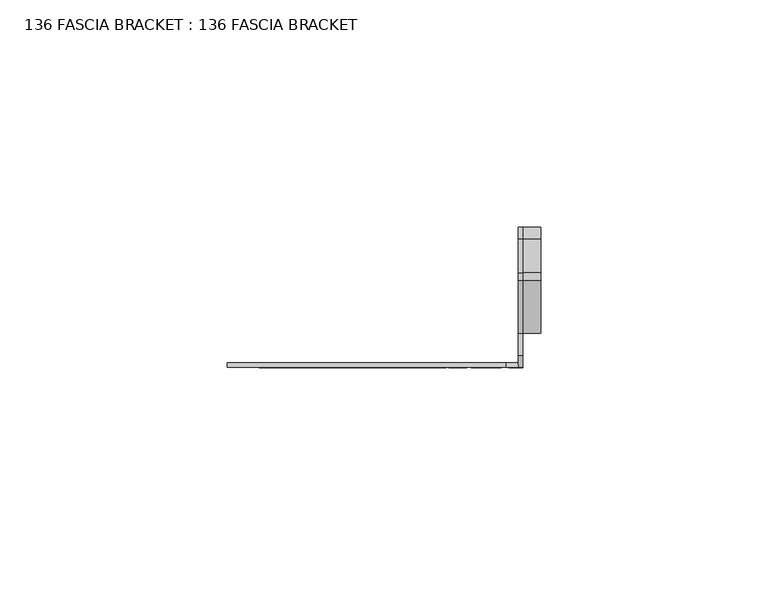
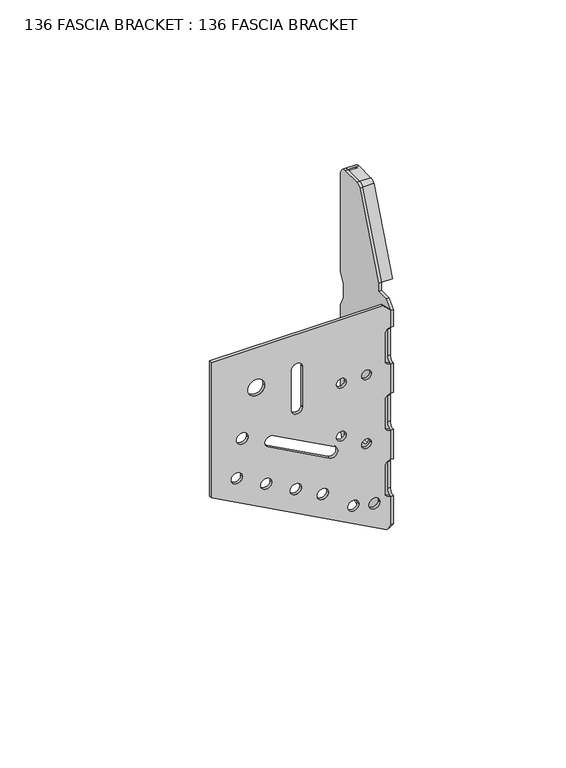
"""IFC4 building model written with IfcOpenShell, lengths in millimetres: proxy geometry, 136 FASCIA BRACKET : 136 FASCIA BRACKET."""

from ifc_helpers import new_model, si_unit, point, frame, frame_2d, origin, place, context, project, spatial, polyline, circle_curve, trimmed, segment, composite_curve, outline, extrude, source, transform, mapped, element, save
from ifc_brep_helpers import plane_surface, cylinder_surface, revolved_surface, advanced_brep


def proxy_136_fascia_bracket_136_fascia_bracket_eee21f85(model_context):
    return source(origin(), model_context, "Body", "SolidModel", [
        extrude(outline(composite_curve([segment(polyline([(86.7879141, -64.0418901), (35.7879141, -64.0418901), (1.7168713, -1.2901446), (2.9958061, 0.0), (13.7883477, 0.0)]), True, "CONTINUOUS"), segment(trimmed(circle_curve(frame_2d((15.811541, -0.0418901)), 2.0236269), [point((13.7883477, 0.0))], [point((15.811541, -2.065517))], True, "CARTESIAN"), True, "CONTINUOUS"), segment(polyline([(15.811541, -2.065517), (25.7642871, -2.065517)]), True, "CONTINUOUS"), segment(trimmed(circle_curve(frame_2d((25.7642871, -0.0418901)), 2.0236269), [point((25.7642871, -2.065517))], [point((27.7874805, 0.0))], True, "CARTESIAN"), True, "CONTINUOUS"), segment(polyline([(27.7874805, 0.0), (38.7883477, 0.0)]), True, "CONTINUOUS"), segment(trimmed(circle_curve(frame_2d((40.811541, -0.0418901)), 2.0236269), [point((38.7883477, 0.0))], [point((40.811541, -2.065517))], True, "CARTESIAN"), True, "CONTINUOUS"), segment(polyline([(40.811541, -2.065517), (50.7642871, -2.065517)]), True, "CONTINUOUS"), segment(trimmed(circle_curve(frame_2d((50.7642871, -0.0418901)), 2.0236269), [point((50.7642871, -2.065517))], [point((52.7874805, 0.0))], True, "CARTESIAN"), True, "CONTINUOUS"), segment(polyline([(52.7874805, 0.0), (63.7883477, 0.0)]), True, "CONTINUOUS"), segment(trimmed(circle_curve(frame_2d((65.811541, -0.0418901)), 2.0236269), [point((63.7883477, 0.0))], [point((65.811541, -2.065517))], True, "CARTESIAN"), True, "CONTINUOUS"), segment(polyline([(65.811541, -2.065517), (75.7642871, -2.065517)]), True, "CONTINUOUS"), segment(trimmed(circle_curve(frame_2d((75.7642871, -0.0418901)), 2.0236269), [point((75.7642871, -2.065517))], [point((77.7874805, 0.0))], True, "CARTESIAN"), True, "CONTINUOUS"), segment(polyline([(77.7874805, 0.0), (84.1423042, 0.0), (86.7879141, -2.6456099), (86.7879141, -64.0418901)]), True, "CONTINUOUS")], self_intersect=False), holes=[composite_curve([segment(trimmed(circle_curve(frame_2d((71.7327822, -47.9979045)), 3.0), [point((71.7327822, -50.9979045))], [point((71.7327822, -44.9979045))], True, "CARTESIAN"), True, "CONTINUOUS"), segment(trimmed(circle_curve(frame_2d((71.7327822, -47.9979045)), 3.0), [point((71.7327822, -44.9979045))], [point((71.7327822, -50.9979045))], True, "CARTESIAN"), True, "CONTINUOUS")], self_intersect=False), composite_curve([segment(trimmed(circle_curve(frame_2d((54.2327822, -52.9517366)), 2.0901535), [point((54.2327822, -55.0418901))], [point((54.2327822, -50.861583))], True, "CARTESIAN"), True, "CONTINUOUS"), segment(trimmed(circle_curve(frame_2d((54.2327822, -52.9517366)), 2.0901535), [point((54.2327822, -50.861583))], [point((54.2327822, -55.0418901))], True, "CARTESIAN"), True, "CONTINUOUS")], self_intersect=False), composite_curve([segment(trimmed(circle_curve(frame_2d((39.9004085, -54.9517366)), 2.0), [point((39.9004085, -56.9517366))], [point((39.9004085, -52.9517366))], True, "CARTESIAN"), True, "CONTINUOUS"), segment(trimmed(circle_curve(frame_2d((39.9004085, -54.9517366)), 2.0), [point((39.9004085, -52.9517366))], [point((39.9004085, -56.9517366))], True, "CARTESIAN"), True, "CONTINUOUS")], self_intersect=False), composite_curve([segment(trimmed(circle_curve(frame_2d((34.1745521, -44.4059048)), 2.0), [point((34.1745521, -46.4059048))], [point((34.1745521, -42.4059048))], True, "CARTESIAN"), True, "CONTINUOUS"), segment(trimmed(circle_curve(frame_2d((34.1745521, -44.4059048)), 2.0), [point((34.1745521, -42.4059048))], [point((34.1745521, -46.4059048))], True, "CARTESIAN"), True, "CONTINUOUS")], self_intersect=False), composite_curve([segment(trimmed(circle_curve(frame_2d((28.4486956, -33.860073)), 2.0), [point((28.4486956, -35.860073))], [point((28.4486956, -31.860073))], True, "CARTESIAN"), True, "CONTINUOUS"), segment(trimmed(circle_curve(frame_2d((28.4486956, -33.860073)), 2.0), [point((28.4486956, -31.860073))], [point((28.4486956, -35.860073))], True, "CARTESIAN"), True, "CONTINUOUS")], self_intersect=False), composite_curve([segment(trimmed(circle_curve(frame_2d((23.1999939, -24.1930605)), 2.0), [point((23.1999939, -26.1930605))], [point((23.1999939, -22.1930605))], True, "CARTESIAN"), True, "CONTINUOUS"), segment(trimmed(circle_curve(frame_2d((23.1999939, -24.1930605)), 2.0), [point((23.1999939, -22.1930605))], [point((23.1999939, -26.1930605))], True, "CARTESIAN"), True, "CONTINUOUS")], self_intersect=False), composite_curve([segment(trimmed(circle_curve(frame_2d((14.990033, -13.2891371)), 2.0), [point((14.990033, -15.2891371))], [point((14.990033, -11.2891371))], True, "CARTESIAN"), True, "CONTINUOUS"), segment(trimmed(circle_curve(frame_2d((14.990033, -13.2891371)), 2.0), [point((14.990033, -11.2891371))], [point((14.990033, -15.2891371))], True, "CARTESIAN"), True, "CONTINUOUS")], self_intersect=False), composite_curve([segment(trimmed(circle_curve(frame_2d((13.1899255, -5.7323275)), 2.0), [point((13.1899255, -7.7323275))], [point((13.1899255, -3.7323275))], True, "CARTESIAN"), True, "CONTINUOUS"), segment(trimmed(circle_curve(frame_2d((13.1899255, -5.7323275)), 2.0), [point((13.1899255, -3.7323275))], [point((13.1899255, -7.7323275))], True, "CARTESIAN"), True, "CONTINUOUS")], self_intersect=False), composite_curve([segment(trimmed(circle_curve(frame_2d((62.7327822, -17.5622042)), 1.75), [point((62.7327822, -19.3122042))], [point((62.7327822, -15.8122042))], True, "CARTESIAN"), True, "CONTINUOUS"), segment(trimmed(circle_curve(frame_2d((62.7327822, -17.5622042)), 1.75), [point((62.7327822, -15.8122042))], [point((62.7327822, -19.3122042))], True, "CARTESIAN"), True, "CONTINUOUS")], self_intersect=False), composite_curve([segment(trimmed(circle_curve(frame_2d((62.7327822, -8.5501839)), 1.75), [point((62.7327822, -10.3001839))], [point((62.7327822, -6.8001839))], True, "CARTESIAN"), True, "CONTINUOUS"), segment(trimmed(circle_curve(frame_2d((62.7327822, -8.5501839)), 1.75), [point((62.7327822, -6.8001839))], [point((62.7327822, -10.3001839))], True, "CARTESIAN"), True, "CONTINUOUS")], self_intersect=False), composite_curve([segment(trimmed(circle_curve(frame_2d((42.7327822, -17.5622042)), 1.75), [point((42.7327822, -19.3122042))], [point((42.7327822, -15.8122042))], True, "CARTESIAN"), True, "CONTINUOUS"), segment(trimmed(circle_curve(frame_2d((42.7327822, -17.5622042)), 1.75), [point((42.7327822, -15.8122042))], [point((42.7327822, -19.3122042))], True, "CARTESIAN"), True, "CONTINUOUS")], self_intersect=False), composite_curve([segment(trimmed(circle_curve(frame_2d((36.7327822, -8.5501839)), 1.75), [point((36.7327822, -10.3001839))], [point((36.7327822, -6.8001839))], True, "CARTESIAN"), True, "CONTINUOUS"), segment(trimmed(circle_curve(frame_2d((36.7327822, -8.5501839)), 1.75), [point((36.7327822, -6.8001839))], [point((36.7327822, -10.3001839))], True, "CARTESIAN"), True, "CONTINUOUS")], self_intersect=False), composite_curve([segment(polyline([(73.7091552, -31.3773702), (58.7564091, -31.3773702)]), True, "CONTINUOUS"), segment(trimmed(circle_curve(frame_2d((58.7564091, -33.4009971)), 2.0236269), [point((58.7564091, -31.3773702))], [point((58.7564091, -35.4246241))], True, "CARTESIAN"), True, "CONTINUOUS"), segment(polyline([(58.7564091, -35.4246241), (73.7091552, -35.4246241)]), True, "CONTINUOUS"), segment(trimmed(circle_curve(frame_2d((73.7091552, -33.4009971)), 2.0236269), [point((73.7091552, -35.4246241))], [point((73.7091552, -31.3773702))], True, "CARTESIAN"), True, "CONTINUOUS")], self_intersect=False), composite_curve([segment(polyline([(51.4516898, -41.8530352), (39.524466, -19.8855798)]), True, "CONTINUOUS"), segment(trimmed(circle_curve(frame_2d((37.7460635, -20.8511629)), 2.0236269), [point((39.524466, -19.8855798))], [point((35.9676611, -21.816746))], True, "CARTESIAN"), True, "CONTINUOUS"), segment(polyline([(35.9676611, -21.816746), (47.8948849, -43.7842015)]), True, "CONTINUOUS"), segment(trimmed(circle_curve(frame_2d((49.6732874, -42.8186183)), 2.0236269), [point((47.8948849, -43.7842015))], [point((51.4516898, -41.8530352))], True, "CARTESIAN"), True, "CONTINUOUS")], self_intersect=False)]), frame((0.0, -1.0, 0.0), z_axis=(0.0, 1.0, 0.0), x_axis=(0.0, 0.0, 1.0)), (0.0, 0.0, 1.0), 1.0),
        extrude(outline(composite_curve([segment(polyline([(-1.0, 84.0622595), (1.7256546, 86.7879141), (6.4819046, 86.7879141), (6.4819046, 89.7879141), (18.0564295, 118.7242264)]), True, "CONTINUOUS"), segment(trimmed(circle_curve(frame_2d((19.823721, 117.7879141)), 2.0), [point((18.0564295, 118.7242264))], [point((19.823721, 119.7879141))], False, "CARTESIAN"), True, "CONTINUOUS"), segment(polyline([(19.823721, 119.7879141), (27.1819046, 119.7879141)]), True, "CONTINUOUS"), segment(trimmed(circle_curve(frame_2d((27.1819046, 117.0879141)), 2.7), [point((27.1819046, 119.7879141))], [point((29.8819046, 117.0879141))], False, "CARTESIAN"), True, "CONTINUOUS"), segment(polyline([(29.8819046, 117.0879141), (29.8819046, 80.0086831), (28.2573418, 76.5086831), (28.2573418, 71.0671451), (29.8819046, 67.5671451), (29.8819046, 33.0086831), (28.2573418, 29.5086831), (28.2573418, 24.0671451), (29.8819046, 20.5671451), (27.8020773, 13.7197849), (24.3209256, 10.4002352), (26.6440668, 9.7369165), (23.863918, 0.0), (11.8819046, -5.2720859), (11.8819046, -0.0785585), (1.6148105, -0.0785585), (-1.0, 3.0713493), (-1.0, 13.791363)]), True, "CONTINUOUS"), segment(trimmed(circle_curve(frame_2d((-1.1180954, 15.811541)), 2.0236269), [point((-1.0, 13.791363))], [point((0.9055315, 15.811541))], True, "CARTESIAN"), True, "CONTINUOUS"), segment(polyline([(0.9055315, 15.811541), (0.9055315, 25.7642871)]), True, "CONTINUOUS"), segment(trimmed(circle_curve(frame_2d((-1.1180954, 25.7642871)), 2.0236269), [point((0.9055315, 25.7642871))], [point((-1.0, 27.7844652))], True, "CARTESIAN"), True, "CONTINUOUS"), segment(polyline([(-1.0, 27.7844652), (-1.0, 38.791363)]), True, "CONTINUOUS"), segment(trimmed(circle_curve(frame_2d((-1.1180954, 40.811541)), 2.0236269), [point((-1.0, 38.791363))], [point((0.9055315, 40.811541))], True, "CARTESIAN"), True, "CONTINUOUS"), segment(polyline([(0.9055315, 40.811541), (0.9055315, 50.7642871)]), True, "CONTINUOUS"), segment(trimmed(circle_curve(frame_2d((-1.1180954, 50.7642871)), 2.0236269), [point((0.9055315, 50.7642871))], [point((-1.0, 52.7844652))], True, "CARTESIAN"), True, "CONTINUOUS"), segment(polyline([(-1.0, 52.7844652), (-1.0, 63.791363)]), True, "CONTINUOUS"), segment(trimmed(circle_curve(frame_2d((-1.1180954, 65.811541)), 2.0236269), [point((-1.0, 63.791363))], [point((0.9055315, 65.811541))], True, "CARTESIAN"), True, "CONTINUOUS"), segment(polyline([(0.9055315, 65.811541), (0.9055315, 75.7642871)]), True, "CONTINUOUS"), segment(trimmed(circle_curve(frame_2d((-1.1180954, 75.7642871)), 2.0236269), [point((0.9055315, 75.7642871))], [point((-1.0, 77.7844652))], True, "CARTESIAN"), True, "CONTINUOUS"), segment(polyline([(-1.0, 77.7844652), (-1.0, 84.0622595)]), True, "CONTINUOUS")], self_intersect=False), holes=[composite_curve([segment(trimmed(circle_curve(frame_2d((15.9581099, 27.0)), 3.0), [point((12.9581099, 27.0))], [point((18.9581099, 27.0))], True, "CARTESIAN"), True, "CONTINUOUS"), segment(trimmed(circle_curve(frame_2d((15.9581099, 27.0)), 3.0), [point((18.9581099, 27.0))], [point((12.9581099, 27.0))], True, "CARTESIAN"), True, "CONTINUOUS")], self_intersect=False)]), frame((0.0, 0.0, 0.0), z_axis=(1.0, 0.0, 0.0), x_axis=(0.0, 1.0, 0.0)), (0.0, 0.0, 1.0), 1.0),
        advanced_brep(
        [(5.0, 6.4819046, 89.7879141), (5.0, 7.4103813, 89.4165234), (5.0, 18.9616579, 118.2947151), (5.0, 19.823721, 118.7879141), (5.0, 27.1819046, 118.7879141), (5.0, 28.8819046, 117.0879141), (5.0, 28.8819046, 80.2294522), (5.0, 27.2573418, 76.7294522), (5.0, 27.2573418, 70.846376), (5.0, 28.8819046, 67.346376), (5.0, 28.8819046, 33.2294522), (5.0, 27.2573418, 29.7294522), (5.0, 27.2573418, 23.846376), (5.0, 28.9748523, 20.146127), (5.0, 29.8819046, 20.5671451), (5.0, 28.2573418, 24.0671451), (5.0, 28.2573418, 29.5086831), (5.0, 29.8819046, 33.0086831), (5.0, 29.8819046, 67.5671451), (5.0, 28.2573418, 71.0671451), (5.0, 28.2573418, 76.5086831), (5.0, 29.8819046, 80.0086831), (5.0, 29.8819046, 117.0879141), (5.0, 27.1819046, 119.7879141), (5.0, 19.9780513, 119.7879141), (5.0, 18.0564295, 118.7242264), (1.0, 6.4819046, 89.7879141), (1.0, 18.0564295, 118.7242264), (1.0, 19.823721, 119.7879141), (1.0, 27.1819046, 119.7879141), (1.0, 29.8819046, 117.0879141), (1.0, 29.8819046, 80.0086831), (1.0, 28.2573418, 76.5086831), (1.0, 28.2573418, 71.0671451), (1.0, 29.8819046, 67.5671451), (1.0, 29.8819046, 33.0086831), (1.0, 28.2573418, 29.5086831), (1.0, 28.2573418, 24.0671451), (1.0, 29.8819046, 20.5671451), (1.0, 28.9748523, 20.146127), (1.0, 27.2573418, 23.846376), (1.0, 27.2573418, 29.7294522), (1.0, 28.8819046, 33.2294522), (1.0, 28.8819046, 67.346376), (1.0, 27.2573418, 70.846376), (1.0, 27.2573418, 76.7294522), (1.0, 28.8819046, 80.2294522), (1.0, 28.8819046, 117.0879141), (1.0, 27.1819046, 118.7879141), (1.0, 19.9780513, 118.7879141), (1.0, 18.9616579, 118.2947151), (1.0, 7.4103813, 89.4165234)],
        [
            (0, 1),
            (1, 2),
            (2, 3, circle_curve(frame((5.0, 19.823721, 117.7879141), z_axis=(-1.0, 0.0, 0.0), x_axis=(0.0, 1.0, 0.0)), 1.0)),
            (3, 4),
            (4, 5, circle_curve(frame((5.0, 27.1819046, 117.0879141), z_axis=(-1.0, 0.0, 0.0), x_axis=(0.0, 1.0, 0.0)), 1.7)),
            (5, 6),
            (6, 7),
            (7, 8),
            (8, 9),
            (9, 10),
            (10, 11),
            (11, 12),
            (12, 13),
            (13, 14),
            (14, 15),
            (15, 16),
            (16, 17),
            (17, 18),
            (18, 19),
            (19, 20),
            (20, 21),
            (21, 22),
            (22, 23, circle_curve(frame((5.0, 27.1819046, 117.0879141), z_axis=(1.0, 0.0, 0.0), x_axis=(0.0, 1.0, 0.0)), 2.7)),
            (23, 24),
            (24, 25, circle_curve(frame((5.0, 19.823721, 117.7879141), z_axis=(1.0, 0.0, 0.0), x_axis=(0.0, 1.0, 0.0)), 2.0)),
            (25, 0),
            (26, 27),
            (27, 28, circle_curve(frame((1.0, 19.823721, 117.7879141), z_axis=(-1.0, 0.0, 0.0), x_axis=(0.0, 1.0, 0.0)), 2.0)),
            (28, 29),
            (29, 30, circle_curve(frame((1.0, 27.1819046, 117.0879141), z_axis=(-1.0, 0.0, 0.0), x_axis=(0.0, 1.0, 0.0)), 2.7)),
            (30, 31),
            (31, 32),
            (32, 33),
            (33, 34),
            (34, 35),
            (35, 36),
            (36, 37),
            (37, 38),
            (38, 39),
            (39, 40),
            (40, 41),
            (41, 42),
            (42, 43),
            (43, 44),
            (44, 45),
            (45, 46),
            (46, 47),
            (47, 48, circle_curve(frame((1.0, 27.1819046, 117.0879141), z_axis=(1.0, 0.0, 0.0), x_axis=(0.0, 1.0, 0.0)), 1.7)),
            (48, 49),
            (49, 50, circle_curve(frame((1.0, 19.823721, 117.7879141), z_axis=(1.0, 0.0, 0.0), x_axis=(0.0, 1.0, 0.0)), 1.0)),
            (50, 51),
            (51, 26),
            (0, 26),
            (51, 1),
            (50, 2),
            (3, 49),
            (48, 4),
            (5, 47),
            (46, 6),
            (45, 7),
            (44, 8),
            (43, 9),
            (42, 10),
            (17, 35),
            (34, 18),
            (33, 19),
            (32, 20),
            (31, 21),
            (30, 22),
            (23, 29),
            (28, 24),
            (25, 27),
            (41, 11),
            (40, 12),
            (39, 13),
            (38, 14),
            (37, 15),
            (36, 16),
        ],
        [
            plane_surface(frame((5.0, 6.5475818, 89.7616432), z_axis=(1.0, 0.0, 0.0), x_axis=(0.0, 0.9284766908852569, -0.37139067635410994))),
            plane_surface(frame((1.0, 6.5475818, 89.7616432), z_axis=(-1.0, 0.0, 0.0), x_axis=(0.0, -0.9284766908852569, 0.37139067635410994))),
            plane_surface(frame((5.0, 6.4819046, 89.7879141), z_axis=(0.0, -0.37139067635410994, -0.9284766908852569), x_axis=(-1.0, 0.0, 0.0))),
            plane_surface(frame((5.0, 7.4103813, 89.4165234), z_axis=(0.0, 0.9284766908852599, -0.37139067635410233), x_axis=(-1.0, 0.0, 0.0))),
            plane_surface(frame((5.0, 19.9780513, 118.7879141), z_axis=(0.0, 0.0, -1.0), x_axis=(-1.0, 0.0, 0.0))),
            plane_surface(frame((5.0, 28.8819046, 117.0879141), z_axis=(0.0, -1.0, 0.0), x_axis=(-1.0, 0.0, 0.0))),
            plane_surface(frame((5.0, 28.8819046, 80.2294522), z_axis=(0.0, -0.9070522369469565, 0.42101809871966583), x_axis=(-1.0, 0.0, 0.0))),
            plane_surface(frame((5.0, 27.2573418, 76.7294522), z_axis=(0.0, -1.0, 0.0), x_axis=(-1.0, 0.0, 0.0))),
            plane_surface(frame((5.0, 27.2573418, 70.846376), z_axis=(0.0, -0.9070522369470003, -0.4210180987195715), x_axis=(-1.0, 0.0, 0.0))),
            plane_surface(frame((5.0, 28.8819046, 67.346376), z_axis=(0.0, -1.0, 0.0), x_axis=(-1.0, 0.0, 0.0))),
            plane_surface(frame((5.0, 29.8819046, 33.0086831), z_axis=(0.0, 1.0, 0.0), x_axis=(-1.0, 0.0, 0.0))),
            plane_surface(frame((5.0, 29.8819046, 67.5671451), z_axis=(0.0, 0.9070522369469982, 0.4210180987195761), x_axis=(-1.0, 0.0, 0.0))),
            plane_surface(frame((5.0, 28.2573418, 71.0671451), z_axis=(0.0, 1.0, 0.0), x_axis=(-1.0, 0.0, 0.0))),
            plane_surface(frame((5.0, 28.2573418, 76.5086831), z_axis=(0.0, 0.9070522369469539, -0.4210180987196714), x_axis=(-1.0, 0.0, 0.0))),
            plane_surface(frame((5.0, 29.8819046, 80.0086831), z_axis=(0.0, 1.0, 0.0), x_axis=(-1.0, 0.0, 0.0))),
            plane_surface(frame((5.0, 27.1819046, 119.7879141), z_axis=(0.0, 0.0, 1.0), x_axis=(-1.0, 0.0, 0.0))),
            plane_surface(frame((5.0, 18.0564295, 118.7242264), z_axis=(0.0, -0.9284766908852595, 0.3713906763541034), x_axis=(-1.0, 0.0, 0.0))),
            plane_surface(frame((5.0, 28.8819046, 33.2294522), z_axis=(0.0, -0.9070522369470317, 0.42101809871950374), x_axis=(-1.0, 0.0, 0.0))),
            plane_surface(frame((5.0, 27.2573418, 29.7294522), z_axis=(0.0, -1.0, 0.0), x_axis=(-1.0, 0.0, 0.0))),
            plane_surface(frame((5.0, 27.2573418, 23.846376), z_axis=(0.0, -0.9070522369470653, -0.4210180987194316), x_axis=(-1.0, 0.0, 0.0))),
            plane_surface(frame((5.0, 28.9748523, 20.146127), z_axis=(0.0, 0.4210180987194162, -0.9070522369470724), x_axis=(-1.0, 0.0, 0.0))),
            plane_surface(frame((5.0, 29.8819046, 20.5671451), z_axis=(0.0, 0.9070522369470648, 0.4210180987194325), x_axis=(-1.0, 0.0, 0.0))),
            plane_surface(frame((5.0, 28.2573418, 24.0671451), z_axis=(0.0, 1.0, 0.0), x_axis=(-1.0, 0.0, 0.0))),
            plane_surface(frame((5.0, 28.2573418, 29.5086831), z_axis=(0.0, 0.907052236947029, -0.4210180987195098), x_axis=(-1.0, 0.0, 0.0))),
            revolved_surface(polyline([(1.0, 20.823721, 117.7879141), (5.0, 20.823721, 117.7879141)]), (1.0, 19.823721, 117.7879141), (-1.0, 0.0, 0.0)),
            revolved_surface(polyline([(1.0, 28.8819046, 117.0879141), (5.0, 28.8819046, 117.0879141)]), (1.0, 27.1819046, 117.0879141), (-1.0, 0.0, 0.0)),
            cylinder_surface(frame((1.0, 27.1819046, 117.0879141), z_axis=(1.0, 0.0, 0.0), x_axis=(0.0, 1.0, 0.0)), 2.7),
            cylinder_surface(frame((1.0, 19.823721, 117.7879141), z_axis=(1.0, 0.0, 0.0), x_axis=(0.0, 1.0, 0.0)), 2.0),
        ],
        [
            (0, [[1, 2, 3, 4, 5, 6, 7, 8, 9, 10, 11, 12, 13, 14, 15, 16, 17, 18, 19, 20, 21, 22, 23, 24, 25, 26]]),
            (1, [[27, 28, 29, 30, 31, 32, 33, 34, 35, 36, 37, 38, 39, 40, 41, 42, 43, 44, 45, 46, 47, 48, 49, 50, 51, 52]]),
            (2, [[-1, 53, -52, 54]]),
            (3, [[-2, -54, -51, 55]]),
            (4, [[-4, 56, -49, 57]]),
            (5, [[-6, 58, -47, 59]]),
            (6, [[-7, -59, -46, 60]]),
            (7, [[-8, -60, -45, 61]]),
            (8, [[-9, -61, -44, 62]]),
            (9, [[-10, -62, -43, 63]]),
            (10, [[-18, 64, -35, 65]]),
            (11, [[-19, -65, -34, 66]]),
            (12, [[-20, -66, -33, 67]]),
            (13, [[-21, -67, -32, 68]]),
            (14, [[-22, -68, -31, 69]]),
            (15, [[-24, 70, -29, 71]]),
            (16, [[-26, 72, -27, -53]]),
            (17, [[-11, -63, -42, 73]]),
            (18, [[-12, -73, -41, 74]]),
            (19, [[-13, -74, -40, 75]]),
            (20, [[-14, -75, -39, 76]]),
            (21, [[-15, -76, -38, 77]]),
            (22, [[-16, -77, -37, 78]]),
            (23, [[-17, -78, -36, -64]]),
            (24, [[-3, -55, -50, -56]]),
            (25, [[-5, -57, -48, -58]]),
            (26, [[-23, -69, -30, -70]]),
            (27, [[-25, -71, -28, -72]]),
        ],
    ),
    ])


if __name__ == "__main__":
    model = new_model("IFC4")
    model_context = context("Model", 3, world=origin())
    ifc_project = project(units=[si_unit("LENGTHUNIT", "METRE", prefix="MILLI")], contexts=[model_context])
    site = spatial("IfcSite", under=ifc_project)
    building = spatial("IfcBuilding", under=site)
    placement = place(None, origin())
    proxy_136_fascia_bracket_136_fascia_bracket_shape = proxy_136_fascia_bracket_136_fascia_bracket_eee21f85(model_context)
    element("IfcBuildingElementProxy", 1, Name="136 FASCIA BRACKET : 136 FASCIA BRACKET", ObjectType="136 FASCIA BRACKET : 136 FASCIA BRACKET", at=placement, inside=building, context=model_context, shape_type="MappedRepresentation", body=[
        mapped(proxy_136_fascia_bracket_136_fascia_bracket_shape, transform((0.0, 0.0, 0.0), x_axis=(1.0, 0.0, 0.0), y_axis=(0.0, 1.0, 0.0), z_axis=(0.0, 0.0, 1.0))),
    ])
    save(model, "model.ifc")
